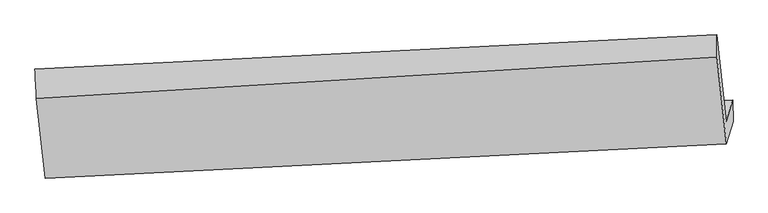
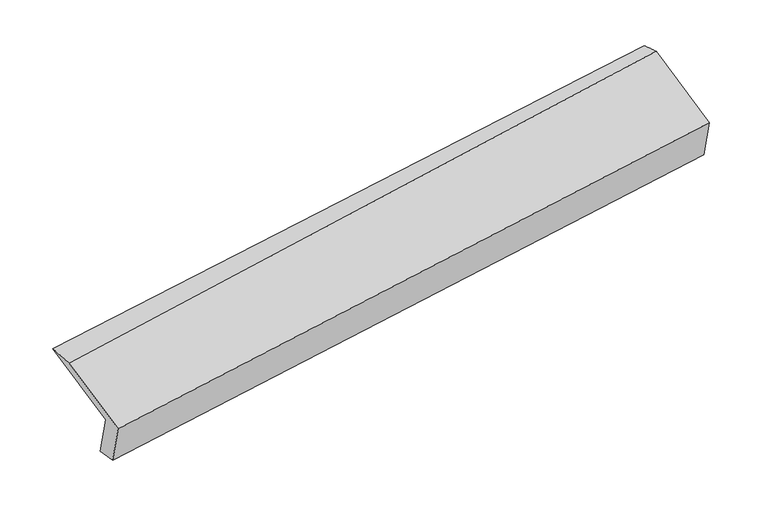
"""IFC4 building model written with IfcOpenShell, lengths in millimetres: proxy geometry."""

from ifc_helpers import new_model, si_unit, frame, origin, place, context, project, spatial, source, transform, mapped, element, save
from ifc_brep_helpers import plane_surface, spline_surface, advanced_brep


def generic_models_d83d452d(model_context):
    return source(origin(), model_context, "Body", "AdvancedBrep", [
        advanced_brep(
        [(-5213.3627232, -1643.4477565, 1232.0149348), (-5259.7294821, -1799.2269922, 1607.1444347), (-452.886274, -1555.8554062, 2302.3443045), (-408.2207288, -1405.7917685, 1940.9784455), (-5208.1475792, -1802.4730477, 1251.6263564), (-404.5765958, -1557.4902278, 1968.8874246), (-5254.2156383, -1957.2487363, 1624.3392305), (-451.7787972, -1716.0763152, 2350.7760592), (-5315.4306593, -1394.3275415, 1850.5360277), (-518.3909694, -1103.5239885, 2596.9159731), (-5326.1674614, -1188.276508, 1852.6406854), (-519.3242534, -944.9049219, 2547.8405552)],
        [
            (0, 1),
            (1, 2),
            (2, 3),
            (3, 0),
            (4, 0),
            (3, 5),
            (5, 4),
            (6, 4),
            (5, 7),
            (7, 6),
            (8, 6),
            (7, 9),
            (9, 8),
            (10, 8),
            (9, 11),
            (11, 10),
            (1, 10),
            (11, 2),
        ],
        [
            plane_surface(frame((-5236.5461027, -1721.3373744, 1419.5796847), z_axis=(-0.10039397877857886, 0.923203121515917, 0.3709677148328052), x_axis=(-0.11341424191639482, -0.38103987373133297, 0.9175760591674891))),
            spline_surface(1, 1, [[(-5208.1475792, -1802.4730477, 1251.6263564), (-404.5765958, -1557.4902278, 1968.8874246)], [(-5213.3627232, -1643.4477565, 1232.0149348), (-408.2207288, -1405.7917685, 1940.9784455)]], [2, 2], [2, 2], [0.0, 1.0], [0.0, 1.0]),
            plane_surface(frame((-5231.1816087, -1879.860892, 1437.9827934), z_axis=(0.10242640238502783, -0.9230982567506354, -0.37067295622745167), x_axis=(0.113414241916372, 0.3810398737313263, -0.9175760591674946))),
            plane_surface(frame((-5284.8231488, -1675.7881389, 1737.4376291), z_axis=(-0.11950988830456516, -0.38134135643320966, 0.9166766913536692), x_axis=(0.10039397877857968, -0.9232031215159143, -0.37096771483281143))),
            spline_surface(1, 1, [[(-5326.1674614, -1188.276508, 1852.6406854), (-519.3242534, -944.9049219, 2547.8405552)], [(-5315.4306593, -1394.3275415, 1850.5360277), (-518.3909694, -1103.5239885, 2596.9159731)]], [2, 2], [2, 2], [0.0, 1.0], [0.0, 1.0]),
            plane_surface(frame((-5292.9484718, -1493.7517501, 1729.89256), z_axis=(0.11341424191639332, 0.38103987373133463, -0.9175760591674886), x_axis=(-0.10039397877858303, 0.923203121515916, 0.37096771483280633))),
            plane_surface(frame((-459.1962698, -1380.6071047, 2284.6237937), z_axis=(0.9884625732699954, 0.050046089258582054, 0.1429584911587311), x_axis=(0.10039397877857968, -0.9232031215159143, -0.37096771483281143))),
            plane_surface(frame((-5262.8422573, -1630.8334304, 1569.7169449), z_axis=(-0.9884625732699919, -0.05004608925858225, -0.14295849115875625), x_axis=(0.11341424191639445, 0.3810398737313335, -0.9175760591674889))),
        ],
        [
            (0, [[1, 2, 3, 4]]),
            (1, [[5, -4, 6, 7]]),
            (2, [[8, -7, 9, 10]]),
            (3, [[11, -10, 12, 13]]),
            (4, [[14, -13, 15, 16]]),
            (5, [[17, -16, 18, -2]]),
            (6, [[-12, -9, -6, -3, -18, -15]]),
            (7, [[-1, -5, -8, -11, -14, -17]]),
        ],
    ),
    ])


if __name__ == "__main__":
    model = new_model("IFC4")
    model_context = context("Model", 3, world=origin())
    ifc_project = project(units=[si_unit("LENGTHUNIT", "METRE", prefix="MILLI")], contexts=[model_context])
    site = spatial("IfcSite", under=ifc_project)
    building = spatial("IfcBuilding", under=site)
    placement = place(None, origin())
    generic_models_shape = generic_models_d83d452d(model_context)
    element("IfcBuildingElementProxy", 1, Name="Generic Models", at=placement, inside=building, context=model_context, shape_type="MappedRepresentation", body=[
        mapped(generic_models_shape, transform((0.0, 0.0, 0.0), x_axis=(1.0, 0.0, 0.0), y_axis=(0.0, 1.0, 0.0), z_axis=(0.0, 0.0, 1.0))),
    ])
    save(model, "model.ifc")
